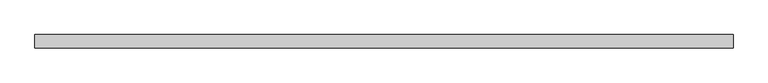
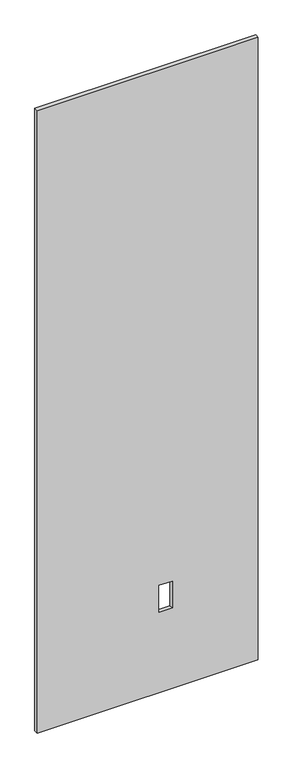
"""IFC4 building model written with IfcOpenShell, lengths in millimetres: proxy geometry."""

from ifc_helpers import new_model, si_unit, frame, origin, place, context, project, spatial, polyline, outline, extrude, source, transform, mapped, element, save


def specialty_equipment_a24bebf3(model_context):
    return source(origin(), model_context, "Body", "SweptSolid", [
        extrude(outline(polyline([(3016.25, -506.1204), (3.175, -506.1204), (3.175, 506.1204), (3016.25, 506.1204), (3016.25, -506.1204)]), holes=[polyline([(391.922, 112.8268), (391.922, 51.3588), (522.478, 51.3588), (522.478, 112.8268), (391.922, 112.8268)])]), frame((0.0, -9.525, 0.0), z_axis=(0.0, 1.0, 0.0), x_axis=(0.0, 0.0, 1.0)), (0.0, 0.0, 1.0), 19.05),
    ])


if __name__ == "__main__":
    model = new_model("IFC4")
    model_context = context("Model", 3, world=origin())
    ifc_project = project(units=[si_unit("LENGTHUNIT", "METRE", prefix="MILLI")], contexts=[model_context])
    site = spatial("IfcSite", under=ifc_project)
    building = spatial("IfcBuilding", under=site)
    placement = place(None, origin())
    specialty_equipment_shape = specialty_equipment_a24bebf3(model_context)
    element("IfcBuildingElementProxy", 1, Name="Specialty Equipment", at=placement, inside=building, context=model_context, shape_type="MappedRepresentation", body=[
        mapped(specialty_equipment_shape, transform((0.0, 0.0, 0.0), x_axis=(1.0, 0.0, 0.0), y_axis=(0.0, 1.0, 0.0), z_axis=(0.0, 0.0, 1.0))),
    ])
    save(model, "model.ifc")
